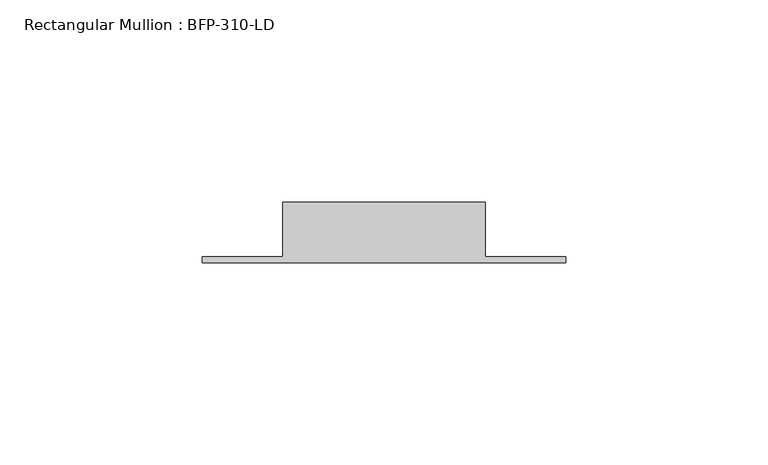
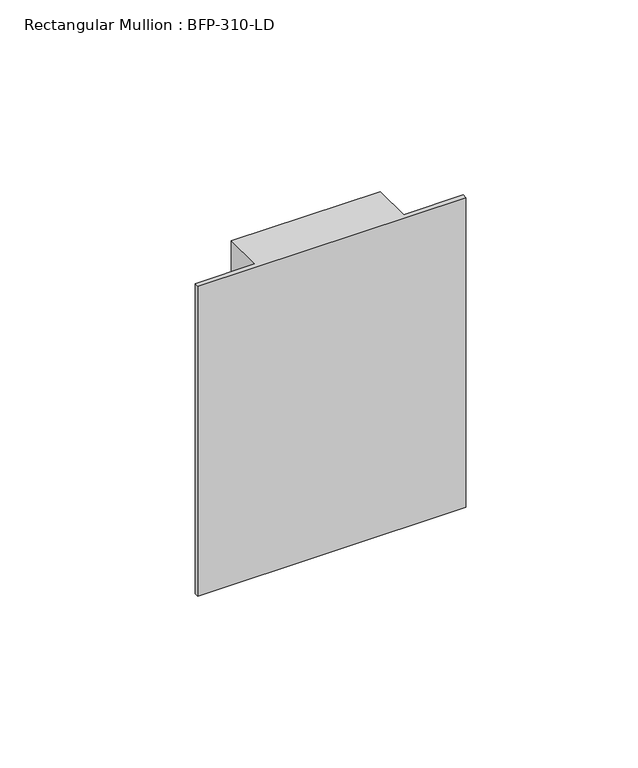
"""IFC4 building model written with IfcOpenShell, lengths in millimetres: member geometry, Rectangular Mullion : BFP-310-LD."""

from ifc_helpers import new_model, si_unit, frame, origin, place, context, project, spatial, polyline, outline, extrude, source, transform, mapped, element, save


def rectangular_mullion_bfp_310_ld_eba000e4(model_context):
    return source(origin(), model_context, "Body", "SweptSolid", [
        extrude(outline(polyline([(-25.0, 17.0), (25.0, 17.0), (25.0, 3.5), (45.0, 3.5), (45.0, 2.0), (-45.0, 2.0), (-45.0, 3.5), (-25.0, 3.5), (-25.0, 17.0)])), frame((0.0, 0.0, -110.0), z_axis=(0.0, 0.0, 1.0), x_axis=(1.0, 0.0, 0.0)), (0.0, 0.0, 1.0), 110.0),
    ])


if __name__ == "__main__":
    model = new_model("IFC4")
    model_context = context("Model", 3, world=origin())
    ifc_project = project(units=[si_unit("LENGTHUNIT", "METRE", prefix="MILLI")], contexts=[model_context])
    site = spatial("IfcSite", under=ifc_project)
    building = spatial("IfcBuilding", under=site)
    placement = place(None, origin())
    rectangular_mullion_bfp_310_ld_shape = rectangular_mullion_bfp_310_ld_eba000e4(model_context)
    element("IfcMember", 1, ObjectType="Rectangular Mullion : BFP-310-LD", at=placement, inside=building, context=model_context, shape_type="MappedRepresentation", body=[
        mapped(rectangular_mullion_bfp_310_ld_shape, transform((0.0, 0.0, 0.0), x_axis=(1.0, 0.0, 0.0), y_axis=(0.0, 1.0, 0.0), z_axis=(0.0, 0.0, 1.0))),
    ])
    save(model, "model.ifc")
